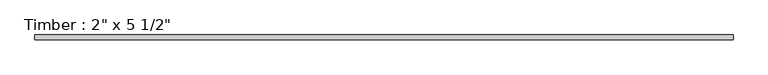
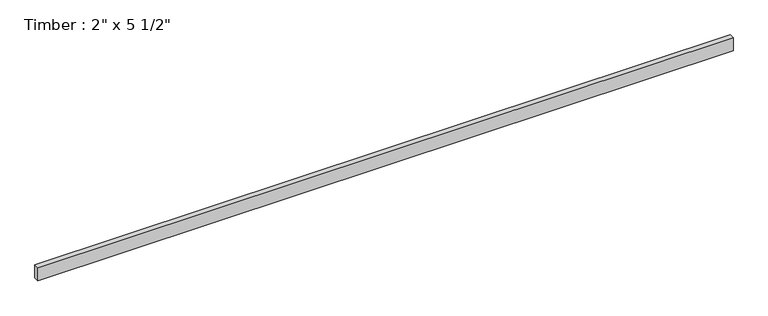
"""IFC4 building model written with IfcOpenShell, lengths in millimetres: beam geometry."""

from ifc_helpers import new_model, si_unit, frame, origin, place, context, project, spatial, polyline, outline, extrude, source, transform, mapped, element, save


def beam_078fe0fa(model_context):
    return source(origin(), model_context, "Body", "SweptSolid", [
        extrude(outline(polyline([(3487.6865386, 25.4), (3487.6865386, -25.4), (-3487.6865386, -25.4), (-3487.6865386, 25.4), (3487.6865386, 25.4)])), frame((0.0, 0.0, -69.85), z_axis=(0.0, 0.0, 1.0), x_axis=(1.0, 0.0, 0.0)), (0.0, 0.0, 1.0), 139.7),
    ])


if __name__ == "__main__":
    model = new_model("IFC4")
    model_context = context("Model", 3, world=origin())
    ifc_project = project(units=[si_unit("LENGTHUNIT", "METRE", prefix="MILLI")], contexts=[model_context])
    site = spatial("IfcSite", under=ifc_project)
    building = spatial("IfcBuilding", under=site)
    placement = place(None, origin())
    beam_shape = beam_078fe0fa(model_context)
    element("IfcBeam", 1, ObjectType="Timber : 2\" x 5 1/2\"", at=placement, inside=building, context=model_context, shape_type="MappedRepresentation", body=[
        mapped(beam_shape, transform((0.0, 0.0, 0.0), x_axis=(1.0, 0.0, 0.0), y_axis=(0.0, 1.0, 0.0), z_axis=(0.0, 0.0, 1.0))),
    ])
    save(model, "model.ifc")
